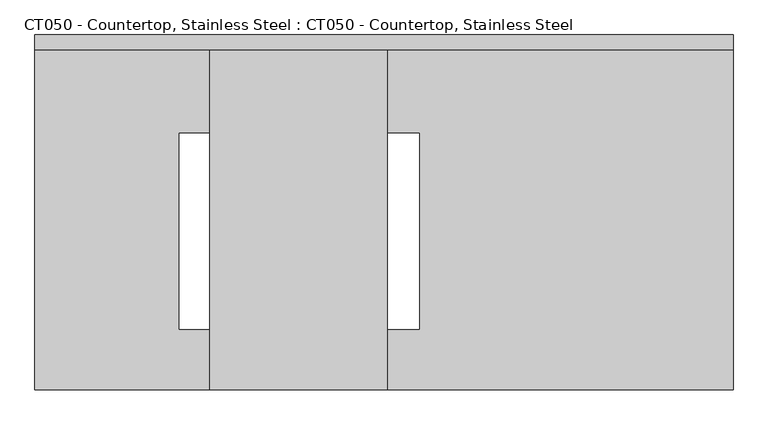
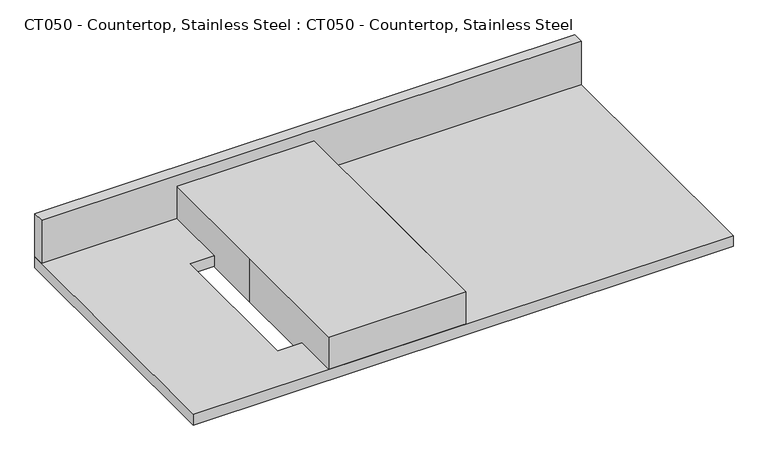
"""IFC4 building model written with IfcOpenShell, lengths in millimetres: proxy geometry, CT050 - Countertop, Stainless Steel : CT050 - Countertop, Stainless Steel."""

from ifc_helpers import new_model, si_unit, frame, origin, origin_with_axes, place, context, project, spatial, polyline, outline, extrude, source, transform, mapped, element, save


def ct050_countertop_stainless_steel_ct050_countertop_stainless_ea37561a(model_context):
    return source(origin(), model_context, "Body", "SweptSolid", [
        extrude(outline(polyline([(746.2605659, 304.8), (746.2605659, -304.8), (-453.1942404, -304.8), (-453.1942404, 304.8), (746.2605659, 304.8)]), holes=[polyline([(207.2057595, 135.73125), (-205.5442405, 135.73125), (-205.5442405, -200.81875), (207.2057595, -200.81875), (207.2057595, 135.73125)])]), origin_with_axes(), (0.0, 0.0, 1.0), 25.4),
        extrude(outline(polyline([(-453.1942404, 279.4), (-453.1942404, 304.8), (746.2605659, 304.8), (746.2605659, 279.4), (-453.1942404, 279.4)])), frame((0.0, 0.0, 25.4), z_axis=(0.0, 0.0, 1.0), x_axis=(1.0, 0.0, 0.0)), (0.0, 0.0, 1.0), 101.6),
        extrude(outline(polyline([(-152.4, 304.8), (152.4, 304.8), (152.4, -304.8), (-152.4, -304.8), (-152.4, 0.0), (-152.4, 304.8)])), origin_with_axes(), (0.0, 0.0, 1.0), 101.6),
    ])


if __name__ == "__main__":
    model = new_model("IFC4")
    model_context = context("Model", 3, world=origin())
    ifc_project = project(units=[si_unit("LENGTHUNIT", "METRE", prefix="MILLI")], contexts=[model_context])
    site = spatial("IfcSite", under=ifc_project)
    building = spatial("IfcBuilding", under=site)
    placement = place(None, origin())
    ct050_countertop_stainless_steel_ct050_countertop_stainless_shape = ct050_countertop_stainless_steel_ct050_countertop_stainless_ea37561a(model_context)
    element("IfcBuildingElementProxy", 1, Name="CT050 - Countertop, Stainless Steel : CT050 - Countertop, Stainless Steel", ObjectType="CT050 - Countertop, Stainless Steel : CT050 - Countertop, Stainless Steel", at=placement, inside=building, context=model_context, shape_type="MappedRepresentation", body=[
        mapped(ct050_countertop_stainless_steel_ct050_countertop_stainless_shape, transform((0.0, 0.0, 0.0), x_axis=(1.0, 0.0, 0.0), y_axis=(0.0, 1.0, 0.0), z_axis=(0.0, 0.0, 1.0))),
    ])
    save(model, "model.ifc")
